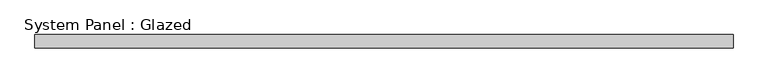
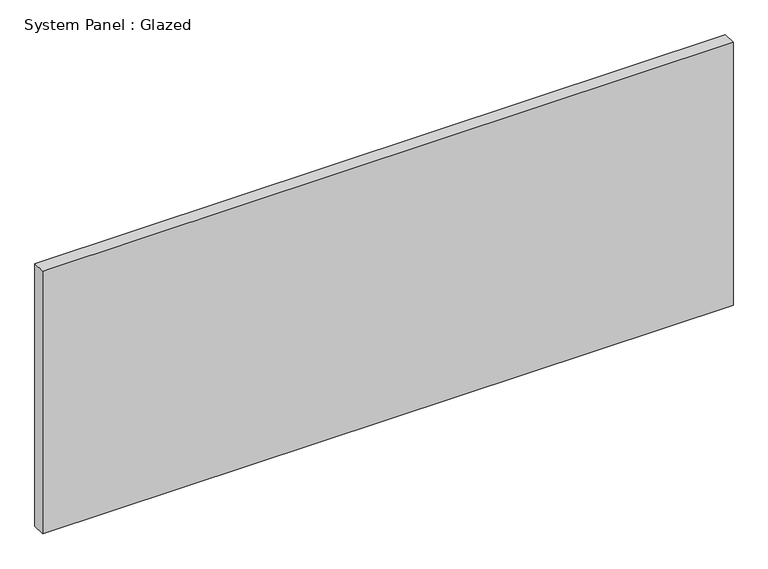
"""IFC4 building model written with IfcOpenShell, lengths in millimetres: plate geometry, System Panel : Glazed."""

from ifc_helpers import new_model, si_unit, origin, origin_with_axes, place, context, project, spatial, polyline, outline, extrude, source, transform, mapped, element, save


def system_panel_glazed_44e83ec8(model_context):
    return source(origin(), model_context, "Body", "SweptSolid", [
        extrude(outline(polyline([(653.125, 24.5), (-653.125, 24.5), (-653.125, 49.5), (653.125, 49.5), (653.125, 24.5)])), origin_with_axes(), (0.0, 0.0, 1.0), 525.0),
    ])


if __name__ == "__main__":
    model = new_model("IFC4")
    model_context = context("Model", 3, world=origin())
    ifc_project = project(units=[si_unit("LENGTHUNIT", "METRE", prefix="MILLI")], contexts=[model_context])
    site = spatial("IfcSite", under=ifc_project)
    building = spatial("IfcBuilding", under=site)
    placement = place(None, origin())
    system_panel_glazed_shape = system_panel_glazed_44e83ec8(model_context)
    element("IfcPlate", 1, ObjectType="System Panel : Glazed", at=placement, inside=building, context=model_context, shape_type="MappedRepresentation", body=[
        mapped(system_panel_glazed_shape, transform((0.0, 0.0, 0.0), x_axis=(1.0, 0.0, 0.0), y_axis=(0.0, 1.0, 0.0), z_axis=(0.0, 0.0, 1.0))),
    ])
    save(model, "model.ifc")
